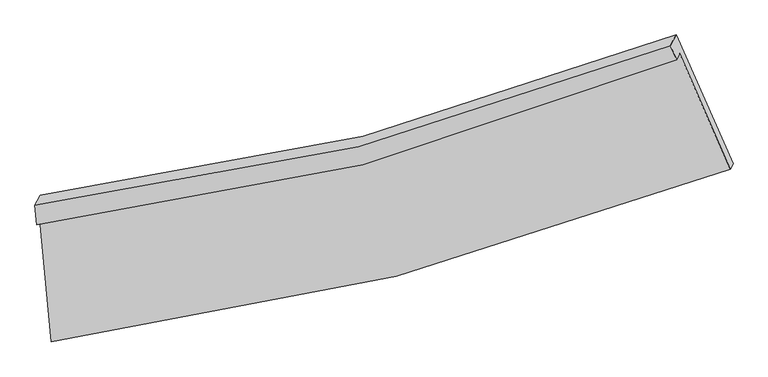
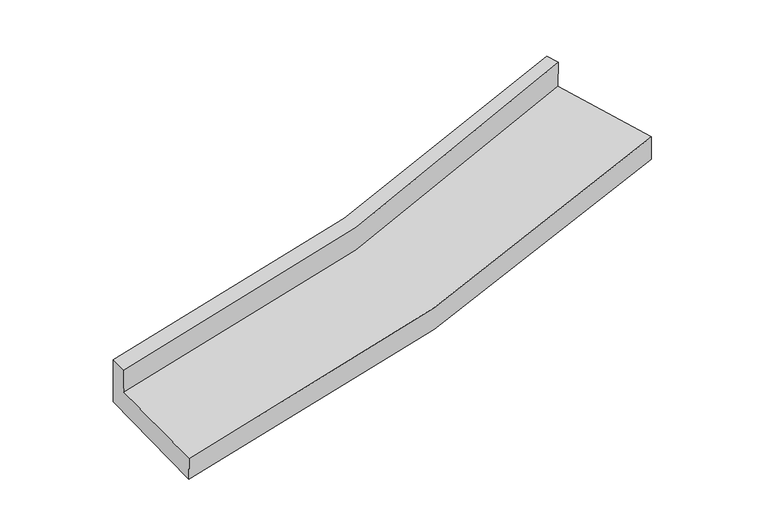
"""IFC4 building model written with IfcOpenShell, lengths in millimetres: proxy geometry."""

from ifc_helpers import new_model, si_unit, frame, origin, place, context, project, spatial, source, transform, mapped, element, save
from ifc_brep_helpers import plane_surface, spline_curve, spline_surface, advanced_brep


def generic_models_2bf9e296(model_context):
    return source(origin(), model_context, "Body", "AdvancedBrep", [
        advanced_brep(
        [(-1986.63838, -1929.6420668, 1948.124648), (-1969.8436481, -1897.9215989, 1752.2355397), (1826.184558, -911.0400424, 2228.3463275), (1808.8893944, -949.3144487, 2445.3640493), (-1997.6964714, -1813.690732, 1965.9526576), (1772.2791036, -865.6568136, 2455.771975), (-1965.0930265, -1752.1121055, 1585.6750933), (1805.681608, -802.5689912, 2066.1744015), (-1884.9933093, -2592.0101309, 1456.537209), (2144.0630625, -1565.4344488, 1941.7169491), (-1900.8020223, -2621.8682896, 1640.925665), (2126.8161747, -1598.0089104, 2142.8798787)],
        [
            (0, 1),
            (1, 2, spline_curve(3, [(-1969.8436481, -1897.9215989, 1752.2355397), (-1312.494061288, -1824.136968943, 1823.027924263), (-667.669041422, -1705.082380082, 1898.073197542), (597.70431408, -1376.232536639, 2056.766396159), (1218.222029362, -1166.326606805, 2140.424718637), (1826.184558, -911.0400424, 2228.3463275)], [4, 2, 4], [0.0, 6.49413068143326, 12.996194909491614])),
            (2, 3),
            (3, 0, spline_curve(3, [(1808.8893944, -949.3144487, 2445.3640493), (1200.830158827, -1201.978711746, 2350.92299034), (580.305872917, -1410.027462804, 2262.244064554), (-684.900452023, -1736.694525998, 2096.511650247), (-1329.552091006, -1855.421647771, 2019.444108981), (-1986.63838, -1929.6420668, 1948.124648)], [4, 2, 4], [0.0, 6.502064228058353, 12.996194909491614])),
            (4, 0),
            (3, 5),
            (5, 4, spline_curve(3, [(1772.2791036, -865.6568136, 2455.771975), (1165.651680607, -1107.377506078, 2363.225774361), (547.974814441, -1307.263383953, 2276.112794709), (-708.710658114, -1623.172662155, 2112.852939714), (-1347.692317096, -1739.298090616, 2036.692813435), (-1997.6964714, -1813.690732, 1965.9526576)], [4, 2, 4], [0.0, 6.473851284086883, 12.939803445802045])),
            (6, 4),
            (5, 7),
            (7, 6, spline_curve(3, [(1805.681608, -802.5689912, 2066.1744015), (1198.290708936, -1045.731672527, 1982.533173638), (580.165668311, -1246.464024377, 1900.647578312), (-676.785388458, -1562.874915721, 1740.485423715), (-1315.585226139, -1678.656935157, 1662.204583231), (-1965.0930265, -1752.1121055, 1585.6750933)], [4, 2, 4], [0.0, 6.445522829190789, 12.883181101204826])),
            (8, 6),
            (7, 9),
            (9, 8, spline_curve(3, [(2144.0630625, -1565.4344488, 1941.7169491), (1494.3054282, -1819.915595608, 1852.361550219), (833.460187214, -2032.730946145, 1767.230101312), (-509.585644077, -2374.821224333, 1605.513822632), (-1191.759193685, -2504.197767991, 1528.918691788), (-1884.9933093, -2592.0101309, 1456.537209)], [4, 2, 4], [0.0, 6.664808306756504, 13.321484493374793])),
            (10, 8),
            (9, 11),
            (11, 10, spline_curve(3, [(2126.8161747, -1598.0089104, 2142.8798787), (1477.226029441, -1852.173718281, 2051.570934897), (816.58447608, -2064.604360898, 1964.063729808), (-525.981875442, -2405.789038005, 1796.754930299), (-1207.879720988, -2534.644855302, 1716.944064305), (-1900.8020223, -2621.8682896, 1640.925665)], [4, 2, 4], [0.0, 6.884101561665945, 13.759803430742625])),
            (1, 10),
            (11, 2),
        ],
        [
            spline_surface(3, 3, [[(-1986.63838, -1929.6420668, 1948.124648), (-1329.552090934, -1855.421647707, 2019.444109062), (-684.90045202, -1736.694525975, 2096.511650288), (580.305872913, -1410.027462828, 2262.244064512), (1200.830158747, -1201.978711831, 2350.922990441), (1808.8893944, -949.3144487, 2445.3640493)], [(-1981.040136022, -1919.068577527, 1882.828278538), (-1323.866081035, -1844.993421496, 1953.972047444), (-679.156648458, -1726.157143987, 2030.365499376), (586.10535327, -1398.76248745, 2193.751508369), (1206.62744896, -1190.094676839, 2280.756899885), (1814.654448933, -936.556313254, 2373.024808716)], [(-1975.441892078, -1908.495088173, 1817.531909162), (-1318.180071169, -1834.565195203, 1888.499985912), (-673.412844891, -1715.619762008, 1964.219348497), (591.904833631, -1387.497512079, 2125.258952259), (1212.424739172, -1178.210641884, 2210.59080928), (1820.419503467, -923.798177846, 2300.685568084)], [(-1969.8436481, -1897.9215989, 1752.2355397), (-1312.494061269, -1824.136968992, 1823.027924294), (-667.669041329, -1705.08238002, 1898.073197585), (597.704313987, -1376.232536701, 2056.766396116), (1218.222029384, -1166.326606891, 2140.424718724), (1826.184558, -911.0400424, 2228.3463275)]], [4, 4], [4, 2, 4], [0.0, 0.673637314065672], [0.0, 6.49413068143326, 12.996194909491614]),
            spline_surface(3, 3, [[(-1997.6964714, -1813.690732, 1965.9526576), (-1347.692317108, -1739.298090563, 2036.692813449), (-708.710658179, -1623.172662168, 2112.852939655), (547.974814506, -1307.263383941, 2276.112794768), (1165.651680579, -1107.377506184, 2363.225774358), (1772.2791036, -865.6568136, 2455.771975)], [(-1994.010440937, -1852.341176919, 1960.009987738), (-1341.645575054, -1778.00594293, 2030.943245325), (-700.773922771, -1661.013283442, 2107.405843211), (558.751833996, -1341.518076908, 2271.489884694), (1177.377839992, -1138.911241391, 2359.124846362), (1784.48253389, -893.542691958, 2452.302666409)], [(-1990.324410463, -1890.991621881, 1954.067317862), (-1335.598832989, -1816.71379534, 2025.193677187), (-692.837187427, -1698.853904701, 2101.958746732), (569.528853423, -1375.772769861, 2266.866974586), (1189.103999334, -1170.444976624, 2355.023918438), (1796.68596411, -921.428570342, 2448.833357891)], [(-1986.63838, -1929.6420668, 1948.124648), (-1329.552090934, -1855.421647707, 2019.444109062), (-684.90045202, -1736.694525975, 2096.511650288), (580.305872913, -1410.027462828, 2262.244064512), (1200.830158747, -1201.978711831, 2350.922990441), (1808.8893944, -949.3144487, 2445.3640493)]], [4, 4], [4, 2, 4], [0.0, 0.3698752216328408], [0.0, 6.465952161715163, 12.939803445802045]),
            spline_surface(3, 3, [[(-1965.0930265, -1752.1121055, 1585.6750933), (-1315.585226057, -1678.656935191, 1662.204583169), (-676.785388519, -1562.874915644, 1740.485423821), (580.165668372, -1246.464024454, 1900.647578206), (1198.290708992, -1045.731672591, 1982.533173614), (1805.681608, -802.5689912, 2066.1744015)], [(-1975.96084147, -1772.638314336, 1712.434281419), (-1326.287589745, -1698.870653651, 1787.033993282), (-687.427145071, -1582.974164479, 1864.607929074), (569.435383751, -1266.730477609, 2025.802650369), (1187.411032846, -1066.280283812, 2109.430707212), (1794.547439858, -823.598265357, 2196.04025935)], [(-1986.82865643, -1793.164523164, 1839.193469481), (-1336.989953421, -1719.084372103, 1911.863403337), (-698.068901626, -1603.073413333, 1988.730434402), (558.705099126, -1286.996930785, 2150.957722605), (1176.531356725, -1086.828894963, 2236.32824076), (1783.413271742, -844.627539443, 2325.90611715)], [(-1997.6964714, -1813.690732, 1965.9526576), (-1347.692317108, -1739.298090563, 2036.692813449), (-708.710658179, -1623.172662168, 2112.852939655), (547.974814506, -1307.263383941, 2276.112794768), (1165.651680579, -1107.377506184, 2363.225774358), (1772.2791036, -865.6568136, 2455.771975)]], [4, 4], [4, 2, 4], [0.0, 1.2471885782673313], [0.0, 6.437658272014037, 12.883181101204826]),
            spline_surface(3, 3, [[(-1884.9933093, -2592.0101309, 1456.537209), (-1191.759193643, -2504.197768082, 1528.918691711), (-509.585644116, -2374.821224407, 1605.513822702), (833.460187253, -2032.730946071, 1767.230101242), (1494.305428308, -1819.915595698, 1852.361550301), (2144.0630625, -1565.4344488, 1941.7169491)], [(-1911.693215033, -2312.04412244, 1499.583170419), (-1233.034537781, -2229.017490458, 1573.347322183), (-565.318892273, -2104.172454795, 1650.504356414), (749.028680937, -1770.641972174, 1811.702593569), (1395.633855198, -1561.854287983, 1895.752091404), (2031.269244328, -1311.145962921, 1983.202766565)], [(-1938.393120767, -2032.07811396, 1542.629131881), (-1274.30988192, -1953.837212815, 1617.775952697), (-621.052140362, -1833.523685256, 1695.494890108), (664.597174688, -1508.55299835, 1856.175085879), (1296.962282102, -1303.792980306, 1939.142632511), (1918.475426172, -1056.857477079, 2024.688584035)], [(-1965.0930265, -1752.1121055, 1585.6750933), (-1315.585226057, -1678.656935191, 1662.204583169), (-676.785388519, -1562.874915644, 1740.485423821), (580.165668372, -1246.464024454, 1900.647578206), (1198.290708992, -1045.731672591, 1982.533173614), (1805.681608, -802.5689912, 2066.1744015)]], [4, 4], [4, 2, 4], [0.0, 2.7464769038827512], [0.0, 6.65667618661829, 13.321484493374793]),
            spline_surface(3, 3, [[(-1900.8020223, -2621.8682896, 1640.925665), (-1207.879721015, -2534.64485537, 1716.944064312), (-525.981875418, -2405.789038101, 1796.754930329), (816.584476055, -2064.604360802, 1964.063729778), (1477.226029468, -1852.173718331, 2051.570934994), (2126.8161747, -1598.0089104, 2142.8798787)], [(-1895.532451308, -2611.915570037, 1579.462846343), (-1202.506211899, -2524.495826277, 1654.268940121), (-520.516464973, -2395.46643356, 1733.007894459), (822.209713133, -2053.979889249, 1898.452520272), (1482.919162422, -1841.421010794, 1985.167806764), (2132.565137307, -1587.150756541, 2075.825568834)], [(-1890.262880292, -2601.962850463, 1518.000027657), (-1197.132702759, -2514.346797174, 1591.593815902), (-515.051054561, -2385.143828948, 1669.260858572), (827.834950176, -2043.355417624, 1832.841310748), (1488.612295354, -1830.668303235, 1918.764678531), (2138.314099893, -1576.292602659, 2008.771258966)], [(-1884.9933093, -2592.0101309, 1456.537209), (-1191.759193643, -2504.197768082, 1528.918691711), (-509.585644116, -2374.821224407, 1605.513822702), (833.460187253, -2032.730946071, 1767.230101242), (1494.305428308, -1819.915595698, 1852.361550301), (2144.0630625, -1565.4344488, 1941.7169491)]], [4, 4], [4, 2, 4], [0.0, 0.6472148369541362], [0.0, 6.87570186907668, 13.759803430742625]),
            spline_surface(3, 3, [[(-1969.8436481, -1897.9215989, 1752.2355397), (-1312.494061269, -1824.136968992, 1823.027924294), (-667.669041329, -1705.08238002, 1898.073197585), (597.704313987, -1376.232536701, 2056.766396116), (1218.222029384, -1166.326606891, 2140.424718724), (1826.184558, -911.0400424, 2228.3463275)], [(-1946.829772831, -2139.237162441, 1715.132248142), (-1277.622614515, -2060.972931092, 1787.666637642), (-620.439986035, -1938.651266052, 1864.300441845), (670.664368, -1605.689811407, 2025.865507349), (1304.556696062, -1394.942310707, 2110.806790805), (1926.395096883, -1140.029665069, 2199.857511225)], [(-1923.815897569, -2380.552726059, 1678.028956558), (-1242.75116777, -2297.80889327, 1752.305350963), (-573.210930712, -2172.220152069, 1830.527686068), (743.624422042, -1835.147086096, 1994.964618545), (1390.891362791, -1623.558014515, 2081.188862912), (2026.605635817, -1369.019287731, 2171.368694975)], [(-1900.8020223, -2621.8682896, 1640.925665), (-1207.879721015, -2534.64485537, 1716.944064312), (-525.981875418, -2405.789038101, 1796.754930329), (816.584476055, -2064.604360802, 1964.063729778), (1477.226029468, -1852.173718331, 2051.570934994), (2126.8161747, -1598.0089104, 2142.8798787)]], [4, 4], [4, 2, 4], [0.0, 2.375616968789806], [0.0, 6.684714991718411, 13.37759635714622]),
            plane_surface(frame((1913.9856502, -1115.3372758, 2213.3755968), z_axis=(0.9133560562759179, 0.38225998386486915, 0.14020705830924723), x_axis=(-0.40103305164700365, 0.9041106076896336, 0.14750084931882063))),
            plane_surface(frame((-1950.8444763, -2101.2074873, 1724.9084688), z_axis=(-0.9920087106550602, -0.07954878125890591, -0.09793216726238521), x_axis=(-0.0843319950778867, -0.1592791326743181, 0.9836250670355552))),
        ],
        [
            (0, [[1, 2, 3, 4]]),
            (1, [[5, -4, 6, 7]]),
            (2, [[8, -7, 9, 10]]),
            (3, [[11, -10, 12, 13]]),
            (4, [[14, -13, 15, 16]]),
            (5, [[17, -16, 18, -2]]),
            (6, [[-12, -9, -6, -3, -18, -15]]),
            (7, [[-1, -5, -8, -11, -14, -17]]),
        ],
    ),
    ])


if __name__ == "__main__":
    model = new_model("IFC4")
    model_context = context("Model", 3, world=origin())
    ifc_project = project(units=[si_unit("LENGTHUNIT", "METRE", prefix="MILLI")], contexts=[model_context])
    site = spatial("IfcSite", under=ifc_project)
    building = spatial("IfcBuilding", under=site)
    placement = place(None, origin())
    generic_models_shape = generic_models_2bf9e296(model_context)
    element("IfcBuildingElementProxy", 1, Name="Generic Models", at=placement, inside=building, context=model_context, shape_type="MappedRepresentation", body=[
        mapped(generic_models_shape, transform((0.0, 0.0, 0.0), x_axis=(1.0, 0.0, 0.0), y_axis=(0.0, 1.0, 0.0), z_axis=(0.0, 0.0, 1.0))),
    ])
    save(model, "model.ifc")
